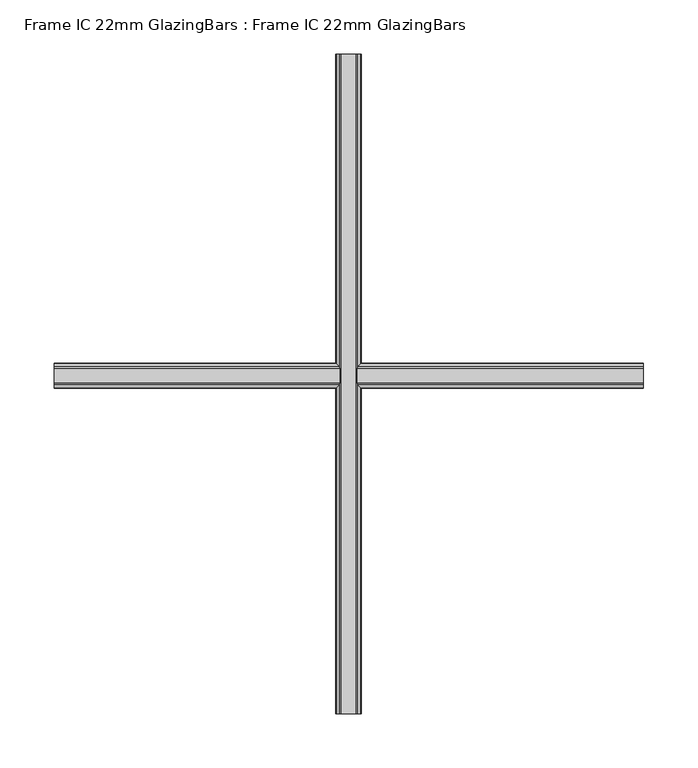
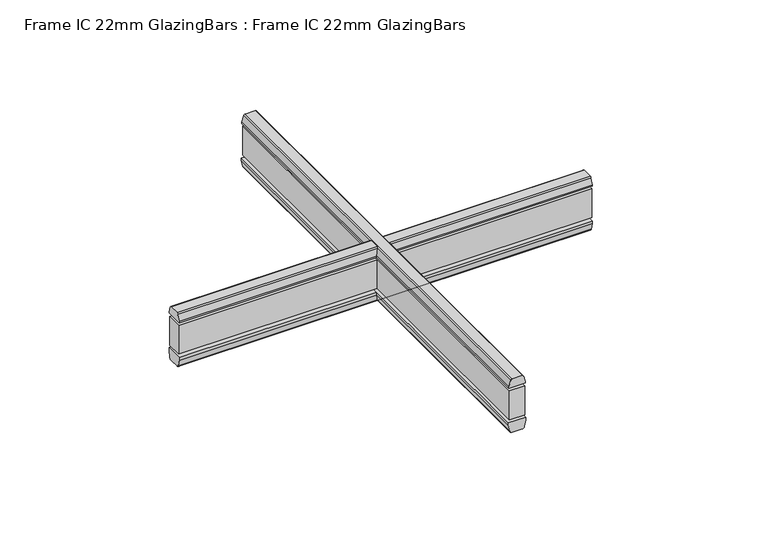
"""IFC4 building model written with IfcOpenShell, lengths in millimetres: proxy geometry, Frame IC 22mm GlazingBars : Frame IC 22mm GlazingBars."""

from ifc_helpers import new_model, si_unit, point, frame, frame_2d, origin, place, context, project, spatial, polyline, circle_curve, trimmed, segment, composite_curve, outline, extrude, source, transform, mapped, element, save


def frame_ic_22mm_glazingbars_frame_ic_22mm_glazingbars_d9c94b27(model_context):
    return source(origin(), model_context, "Body", "SweptSolid", [
        extrude(outline(composite_curve([segment(polyline([(1.6747255, 72.3650019), (0.0, 72.3650019), (0.0, 94.3650019), (1.6747255, 94.3650019), (9.8847434, 91.8549475)]), True, "CONTINUOUS"), segment(trimmed(circle_curve(frame_2d((9.3, 89.942338)), 2.0), [point((9.8847434, 91.8549475))], [point((11.3, 89.942338))], False, "CARTESIAN"), True, "CONTINUOUS"), segment(polyline([(11.3, 89.942338), (11.3, 76.7876658)]), True, "CONTINUOUS"), segment(trimmed(circle_curve(frame_2d((9.3, 76.7876658)), 2.0), [point((11.3, 76.7876658))], [point((9.8847434, 74.8750563))], False, "CARTESIAN"), True, "CONTINUOUS"), segment(polyline([(9.8847434, 74.8750563), (1.6747255, 72.3650019)]), True, "CONTINUOUS")], self_intersect=False)), frame((0.0, -118.1635056, 0.0), z_axis=(0.0, 1.0, 0.0), x_axis=(0.0, 0.0, 1.0)), (0.0, 0.0, 1.0), 605.1561652),
        extrude(outline(composite_curve([segment(trimmed(circle_curve(frame_2d((-59.7, 76.6638172)), 3.0), [point((-60.3237351, 73.7293744))], [point((-62.7, 76.6638172))], False, "CARTESIAN"), True, "CONTINUOUS"), segment(polyline([(-62.7, 76.6638172), (-62.7, 90.0661866)]), True, "CONTINUOUS"), segment(trimmed(circle_curve(frame_2d((-59.7, 90.0661866)), 3.0), [point((-62.7, 90.0661866))], [point((-60.3237351, 93.0006294))], False, "CARTESIAN"), True, "CONTINUOUS"), segment(polyline([(-60.3237351, 93.0006294), (-51.5525521, 94.8650019), (-48.0, 94.8650019), (-48.0, 71.8650019), (-51.5525521, 71.8650019), (-60.3237351, 73.7293744)]), True, "CONTINUOUS")], self_intersect=False)), frame((0.0, -118.1635056, 0.0), z_axis=(0.0, 1.0, 0.0), x_axis=(0.0, 0.0, 1.0)), (0.0, 0.0, 1.0), 605.1561652),
        extrude(outline(polyline([(93.3650019, -118.1635056), (73.3650019, -118.1635056), (73.3650019, 486.9926597), (93.3650019, 486.9926597), (93.3650019, -118.1635056)])), frame((0.0, 0.0, -44.0237411), z_axis=(0.0, 0.0, 1.0), x_axis=(1.0, 0.0, 0.0)), (0.0, 0.0, 1.0), 40.0237411),
        extrude(outline(composite_curve([segment(polyline([(181.0, 1.6747255), (183.5100544, 9.8847434)]), True, "CONTINUOUS"), segment(trimmed(circle_curve(frame_2d((185.4226639, 9.3)), 2.0), [point((183.5100544, 9.8847434))], [point((185.4226639, 11.3))], False, "CARTESIAN"), True, "CONTINUOUS"), segment(polyline([(185.4226639, 11.3), (198.5773361, 11.3)]), True, "CONTINUOUS"), segment(trimmed(circle_curve(frame_2d((198.5773361, 9.3)), 2.0), [point((198.5773361, 11.3))], [point((200.4899456, 9.8847434))], False, "CARTESIAN"), True, "CONTINUOUS"), segment(polyline([(200.4899456, 9.8847434), (203.0, 1.6747255), (203.0, 0.0), (181.0, 0.0), (181.0, 1.6747255)]), True, "CONTINUOUS")], self_intersect=False)), frame((-186.6105843, 0.0, 0.0), z_axis=(1.0, 0.0, 0.0), x_axis=(0.0, 1.0, 0.0)), (0.0, 0.0, 1.0), 540.7826934),
        extrude(outline(composite_curve([segment(polyline([(182.3643725, -60.3237351), (180.5, -51.5525521), (180.5, -48.0), (203.5, -48.0), (203.5, -51.5525521), (201.6356275, -60.3237351)]), True, "CONTINUOUS"), segment(trimmed(circle_curve(frame_2d((198.7011847, -59.7)), 3.0), [point((201.6356275, -60.3237351))], [point((198.7011847, -62.7))], False, "CARTESIAN"), True, "CONTINUOUS"), segment(polyline([(198.7011847, -62.7), (185.2988153, -62.7)]), True, "CONTINUOUS"), segment(trimmed(circle_curve(frame_2d((185.2988153, -59.7)), 3.0), [point((185.2988153, -62.7))], [point((182.3643725, -60.3237351))], False, "CARTESIAN"), True, "CONTINUOUS")], self_intersect=False)), frame((-186.6105843, 0.0, 0.0), z_axis=(1.0, 0.0, 0.0), x_axis=(0.0, 1.0, 0.0)), (0.0, 0.0, 1.0), 540.7826934),
        extrude(outline(polyline([(354.1721092, 202.0), (354.1721092, 182.0), (-186.6105843, 182.0), (-186.6105843, 202.0), (354.1721092, 202.0)])), frame((0.0, 0.0, -44.0237411), z_axis=(0.0, 0.0, 1.0), x_axis=(1.0, 0.0, 0.0)), (0.0, 0.0, 1.0), 40.0237411),
    ])


if __name__ == "__main__":
    model = new_model("IFC4")
    model_context = context("Model", 3, world=origin())
    ifc_project = project(units=[si_unit("LENGTHUNIT", "METRE", prefix="MILLI")], contexts=[model_context])
    site = spatial("IfcSite", under=ifc_project)
    building = spatial("IfcBuilding", under=site)
    placement = place(None, origin())
    frame_ic_22mm_glazingbars_frame_ic_22mm_glazingbars_shape = frame_ic_22mm_glazingbars_frame_ic_22mm_glazingbars_d9c94b27(model_context)
    element("IfcBuildingElementProxy", 1, Name="Frame IC 22mm GlazingBars : Frame IC 22mm GlazingBars", ObjectType="Frame IC 22mm GlazingBars : Frame IC 22mm GlazingBars", at=placement, inside=building, context=model_context, shape_type="MappedRepresentation", body=[
        mapped(frame_ic_22mm_glazingbars_frame_ic_22mm_glazingbars_shape, transform((0.0, 0.0, 0.0), x_axis=(1.0, 0.0, 0.0), y_axis=(0.0, 1.0, 0.0), z_axis=(0.0, 0.0, 1.0))),
    ])
    save(model, "model.ifc")
